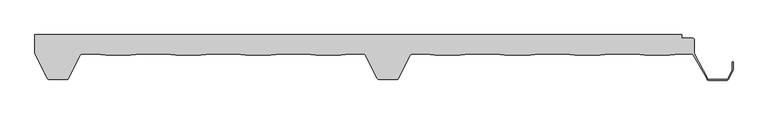
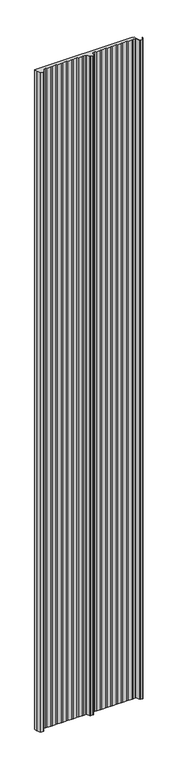
"""IFC4 building model written with IfcOpenShell, lengths in millimetres: proxy geometry."""

import ifcopenshell
import ifcopenshell.guid

model = None  # the IFC model being written
_history = None  # IfcOwnerHistory: only IFC2X3 demands one
_inside = {}  # id of a spatial element -> (the spatial element, [elements in it])
_under = {}  # id of a project, library or spatial element -> (it, [spatial elements below it])
_declared = {}  # id of a project -> (the project, [libraries it declares])
_typed = {}  # id of a type object -> (the type object, [elements of that type])
_made_of = {}  # id of a material, layer set ... -> (it, [elements and type objects made of it])


def new_model(schema):
    """Start an empty IFC model of exactly this schema.

    Asked for "IFC4X3", IfcOpenShell would pick the latest addendum, in which some entities
    have other attributes; the version numbers below select the first issue.
    IFC2X3 requires an IfcOwnerHistory on every rooted entity: one is made here for all.
    """
    global model, _history
    if schema == "IFC4X3":
        model = ifcopenshell.file(schema_version=(4, 3, 0, 0))
    else:
        model = ifcopenshell.file(schema=schema)
    _inside.clear()
    _under.clear()
    _declared.clear()
    _typed.clear()
    _made_of.clear()
    _history = None
    if model.schema == "IFC2X3":
        org = make("IfcOrganization", Name="unknown")
        user = make(
            "IfcPersonAndOrganization",
            ThePerson=make("IfcPerson", FamilyName="unknown"),
            TheOrganization=org,
        )
        app = make(
            "IfcApplication",
            ApplicationDeveloper=org,
            Version="unknown",
            ApplicationFullName="unknown",
            ApplicationIdentifier="unknown",
        )
        _history = make(
            "IfcOwnerHistory",
            OwningUser=user,
            OwningApplication=app,
            ChangeAction="ADDED",
            CreationDate=0,
        )
    return model


def make(cls, **values):
    """One entity of the class cls with the attributes given. An attribute that is None is left unset."""
    return model.create_entity(
        cls, **{name: value for name, value in values.items() if value is not None}
    )


def rooted(cls, **values):
    """An entity with a GlobalId (a new one), such as an element, a storey or a relation."""
    return make(cls, GlobalId=ifcopenshell.guid.new(), OwnerHistory=_history, **values)


def si_unit(unit_type, name, prefix=None):
    """IfcSIUnit, for example si_unit("LENGTHUNIT", "METRE", prefix="MILLI")."""
    return make("IfcSIUnit", UnitType=unit_type, Prefix=prefix, Name=name)


def assignment(units):
    """IfcUnitAssignment: the units of a project."""
    return None if units is None else make("IfcUnitAssignment", Units=units)


def point(xyz):
    """IfcCartesianPoint."""
    return None if xyz is None else make("IfcCartesianPoint", Coordinates=xyz)


def direction(xyz):
    """IfcDirection."""
    return None if xyz is None else make("IfcDirection", DirectionRatios=xyz)


def frame(location, z_axis=None, x_axis=None):
    """IfcAxis2Placement3D, a coordinate frame: its origin and axes. An axis left out is left unset."""
    return make(
        "IfcAxis2Placement3D",
        Location=point(location),
        Axis=direction(z_axis),
        RefDirection=direction(x_axis),
    )


def frame_2d(location, x_axis=None):
    """IfcAxis2Placement2D, a coordinate frame in the plane: its origin and x axis."""
    return make(
        "IfcAxis2Placement2D", Location=point(location), RefDirection=direction(x_axis)
    )


def origin():
    """The frame at (0, 0, 0) with its axes left unset."""
    return frame((0.0, 0.0, 0.0))


def origin_with_axes():
    """The frame at (0, 0, 0) with the z axis (0, 0, 1) and the x axis (1, 0, 0) written out."""
    return frame((0.0, 0.0, 0.0), z_axis=(0.0, 0.0, 1.0), x_axis=(1.0, 0.0, 0.0))


def place(relative_to, where):
    """IfcLocalPlacement: puts the frame where relative to a parent placement (None: the world)."""
    return make(
        "IfcLocalPlacement", PlacementRelTo=relative_to, RelativePlacement=where
    )


def context(
    kind, dimensions, precision=None, world=None, true_north=None, identifier=None
):
    """IfcGeometricRepresentationContext, for example the 3D "Model" context."""
    return make(
        "IfcGeometricRepresentationContext",
        ContextIdentifier=identifier,
        ContextType=kind,
        CoordinateSpaceDimension=dimensions,
        Precision=precision,
        WorldCoordinateSystem=world,
        TrueNorth=true_north,
    )


def project(units=None, contexts=None):
    """IfcProject with its units and contexts."""
    return rooted(
        "IfcProject",
        Name="project",
        RepresentationContexts=contexts,
        UnitsInContext=assignment(units),
    )


def spatial(cls, under=None, at=None, **own):
    """A site, building, storey or space (cls), placed at a placement, below another one or the project."""
    s = rooted(cls, ObjectPlacement=at, **own)
    if under is not None:
        _under.setdefault(under.id(), (under, []))[1].append(s)
    return s


def polyline(points):
    """IfcPolyline through the points."""
    return make("IfcPolyline", Points=[point(p) for p in points])


def circle_curve(where, radius):
    """IfcCircle in the frame where."""
    return make("IfcCircle", Position=where, Radius=radius)


def trimmed(basis, trim1, trim2, sense, master):
    """IfcTrimmedCurve: the piece of a basis curve between two trims."""
    return make(
        "IfcTrimmedCurve",
        BasisCurve=basis,
        Trim1=trim1,
        Trim2=trim2,
        SenseAgreement=sense,
        MasterRepresentation=master,
    )


def segment(curve, same_sense, transition):
    """IfcCompositeCurveSegment."""
    return make(
        "IfcCompositeCurveSegment",
        Transition=transition,
        SameSense=same_sense,
        ParentCurve=curve,
    )


def composite_curve(segments, self_intersect=None):
    """IfcCompositeCurve: segments joined end to end."""
    return make("IfcCompositeCurve", Segments=segments, SelfIntersect=self_intersect)


def outline(outer, holes=None, kind="AREA"):
    """IfcArbitraryClosedProfileDef: a profile drawn as a closed curve; with holes, ...WithVoids."""
    if holes is None:
        return make("IfcArbitraryClosedProfileDef", ProfileType=kind, OuterCurve=outer)
    return make(
        "IfcArbitraryProfileDefWithVoids",
        ProfileType=kind,
        OuterCurve=outer,
        InnerCurves=holes,
    )


def extrude(swept, where, along, depth):
    """IfcExtrudedAreaSolid: the profile swept, set in the frame where, extruded along a direction by depth."""
    return make(
        "IfcExtrudedAreaSolid",
        SweptArea=swept,
        Position=where,
        ExtrudedDirection=direction(along),
        Depth=depth,
    )


def shape(context_of_items, identifier, shape_type, items):
    """IfcShapeRepresentation: the items that make up one representation, for example the "Body"."""
    return make(
        "IfcShapeRepresentation",
        ContextOfItems=context_of_items,
        RepresentationIdentifier=identifier,
        RepresentationType=shape_type,
        Items=items,
    )


def source(mapping_origin, context_of_items, identifier, shape_type, items):
    """IfcRepresentationMap: a shape defined once, which mapped items show again and again."""
    return make(
        "IfcRepresentationMap",
        MappingOrigin=mapping_origin,
        MappedRepresentation=shape(context_of_items, identifier, shape_type, items),
    )


def transform(
    local_origin,
    x_axis=None,
    y_axis=None,
    z_axis=None,
    scale=None,
    scale2=None,
    scale3=None,
    uniform=True,
):
    """IfcCartesianTransformationOperator3D, or its non-uniform kind. x_axis, y_axis, z_axis: its Axis1, 2, 3."""
    if uniform:
        return make(
            "IfcCartesianTransformationOperator3D",
            Axis1=direction(x_axis),
            Axis2=direction(y_axis),
            LocalOrigin=point(local_origin),
            Scale=scale,
            Axis3=direction(z_axis),
        )
    return make(
        "IfcCartesianTransformationOperator3DnonUniform",
        Axis1=direction(x_axis),
        Axis2=direction(y_axis),
        LocalOrigin=point(local_origin),
        Scale=scale,
        Axis3=direction(z_axis),
        Scale2=scale2,
        Scale3=scale3,
    )


def mapped(mapping_source, mapping_target):
    """IfcMappedItem: shows the shape of a source again, moved by a transform."""
    return make(
        "IfcMappedItem", MappingSource=mapping_source, MappingTarget=mapping_target
    )


def made_of(thing, what):
    """Note that an element or type object is made of a material, layer set ...; save() writes the relation."""
    if what is not None:
        _made_of.setdefault(what.id(), (what, []))[1].append(thing)
    return thing


def element(
    cls,
    number,
    at=None,
    inside=None,
    cuts=None,
    type_object=None,
    material=None,
    context=None,
    identifier="Body",
    shape_type=None,
    held_by="IfcProductDefinitionShape",
    body=None,
    shapes=None,
    **own,
):
    """One element of the class cls, such as IfcWall. Its Tag is "e" and its number.

    at: its placement. inside: the storey or other place that contains it. cuts: it is an
    opening in that element (IfcRelVoidsElement). A single representation is given by context,
    identifier, shape_type and body (its items); several are given by shapes. held_by: the class
    of the entity that holds the representations. save() writes the other relations.
    """
    e = rooted(cls, Tag="e%d" % number, ObjectPlacement=at, **own)
    if body is not None:
        shapes = [shape(context, identifier, shape_type, body)]
    if shapes is not None:
        e.Representation = make(held_by, Representations=shapes)
    if inside is not None:
        _inside.setdefault(inside.id(), (inside, []))[1].append(e)
    if cuts is not None:
        rooted(
            "IfcRelVoidsElement", RelatingBuildingElement=cuts, RelatedOpeningElement=e
        )
    if type_object is not None:
        _typed.setdefault(type_object.id(), (type_object, []))[1].append(e)
    return made_of(e, material)


def aggregate(whole, parts):
    """IfcRelAggregates: a whole, such as a stair, and the parts it consists of."""
    return rooted("IfcRelAggregates", RelatingObject=whole, RelatedObjects=parts)


def save(model, path):
    """Write the relations noted so far, then the file.

    IfcRelAggregates (storeys below a building ...), IfcRelContainedInSpatialStructure (elements
    in a storey), IfcRelDefinesByType, IfcRelAssociatesMaterial and IfcRelDeclares: one each for
    every whole, place, type object, material and project.
    """
    for whole, parts in _under.values():
        aggregate(whole, parts)
    for where, things in _inside.values():
        rooted(
            "IfcRelContainedInSpatialStructure",
            RelatedElements=things,
            RelatingStructure=where,
        )
    for kind, things in _typed.values():
        rooted("IfcRelDefinesByType", RelatedObjects=things, RelatingType=kind)
    for what, things in _made_of.values():
        rooted("IfcRelAssociatesMaterial", RelatedObjects=things, RelatingMaterial=what)
    for by, libraries in _declared.values():
        rooted("IfcRelDeclares", RelatingContext=by, RelatedDefinitions=libraries)
    model.write(path)


def generic_models_a5152913(model_context):
    return source(origin(), model_context, "Body", "SweptSolid", [
        extrude(outline(composite_curve([segment(polyline([(-34.7672279, 0.4243568), (-34.7672279, 29.1020544), (945.306253, 29.1020544), (945.306253, 24.1020544), (961.2351211, 24.1020544)]), True, "CONTINUOUS"), segment(trimmed(circle_curve(frame_2d((961.2351211, 21.1020544)), 3.0), [point((961.2351211, 24.1020544))], [point((964.2351211, 21.1020544))], False, "CARTESIAN"), True, "CONTINUOUS"), segment(polyline([(964.2351211, 21.1020544), (964.2351211, 0.7965502), (984.5660869, -37.8919418)]), True, "CONTINUOUS"), segment(trimmed(circle_curve(frame_2d((986.3557773, -36.9991886)), 2.0), [point((984.5660869, -37.8919418))], [point((986.3557773, -38.9991886))], True, "CARTESIAN"), True, "CONTINUOUS"), segment(polyline([(986.3557773, -38.9991886), (1013.6874272, -38.9991886)]), True, "CONTINUOUS"), segment(trimmed(circle_curve(frame_2d((1013.6874272, -36.9991886)), 2.0), [point((1013.6874272, -38.9991886))], [point((1015.4767281, -37.8927222))], True, "CARTESIAN"), True, "CONTINUOUS"), segment(polyline([(1015.4767281, -37.8927222), (1022.005913, -24.8180295)]), True, "CONTINUOUS"), segment(trimmed(circle_curve(frame_2d((1020.2166121, -23.9244959)), 2.0), [point((1022.005913, -24.8180295))], [point((1022.2166121, -23.9244959))], True, "CARTESIAN"), True, "CONTINUOUS"), segment(polyline([(1022.2166121, -23.9244959), (1022.2166121, -12.4550557), (1023.2166121, -12.4550557), (1023.2166121, -23.9244959)]), True, "CONTINUOUS"), segment(trimmed(circle_curve(frame_2d((1020.2166121, -23.9244959)), 3.0), [point((1023.2166121, -23.9244959))], [point((1022.9005634, -25.2647963))], False, "CARTESIAN"), True, "CONTINUOUS"), segment(polyline([(1022.9005634, -25.2647963), (1016.3713786, -38.3394889)]), True, "CONTINUOUS"), segment(trimmed(circle_curve(frame_2d((1013.6874272, -36.9991886)), 3.0), [point((1016.3713786, -38.3394889))], [point((1013.6874272, -39.9991886))], False, "CARTESIAN"), True, "CONTINUOUS"), segment(polyline([(1013.6874272, -39.9991886), (986.3384217, -39.9991886)]), True, "CONTINUOUS"), segment(trimmed(circle_curve(frame_2d((986.3384217, -36.9991886)), 3.0), [point((986.3384217, -39.9991886))], [point((983.7108944, -38.44698))], False, "CARTESIAN"), True, "CONTINUOUS"), segment(polyline([(983.7108944, -38.44698), (962.8075869, -1.5506091)]), True, "CONTINUOUS"), segment(trimmed(circle_curve(frame_2d((960.1809415, -3.0)), 3.0), [point((962.8075869, -1.5506091))], [point((960.1809415, 0.0))], True, "CARTESIAN"), True, "CONTINUOUS"), segment(polyline([(960.1809415, 0.0), (942.4369507, 0.0), (927.573234, -1.7979456), (889.4539348, -1.7979456), (874.5902181, 0.0), (836.4369507, 0.0), (821.573234, -1.7979456), (783.4539348, -1.7979456), (768.5902181, 0.0), (730.4369507, 0.0), (715.573234, -1.7979456), (677.4539348, -1.7979456), (662.5902181, 0.0), (624.4369507, 0.0), (609.573234, -1.7979456), (571.4539348, -1.7979456), (556.5902181, 0.0), (536.4373213, 0.0)]), True, "CONTINUOUS"), segment(trimmed(circle_curve(frame_2d((536.856405, -2.9878462)), 3.017094), [point((536.4373213, 0.0))], [point((534.1528136, -1.6486489))], True, "CARTESIAN"), True, "CONTINUOUS"), segment(polyline([(534.1528136, -1.6486489), (515.8288959, -37.3482459)]), True, "CONTINUOUS"), segment(trimmed(circle_curve(frame_2d((513.1449445, -36.0079456)), 3.0), [point((515.8288959, -37.3482459))], [point((513.1449445, -39.0079456))], False, "CARTESIAN"), True, "CONTINUOUS"), segment(polyline([(513.1449445, -39.0079456), (486.8552196, -39.0079456)]), True, "CONTINUOUS"), segment(trimmed(circle_curve(frame_2d((486.8552196, -36.0079456)), 3.0), [point((486.8552196, -39.0079456))], [point((484.1712683, -37.3482459))], False, "CARTESIAN"), True, "CONTINUOUS"), segment(polyline([(484.1712683, -37.3482459), (465.8289057, -1.6576649)]), True, "CONTINUOUS"), segment(trimmed(circle_curve(frame_2d((463.1449543, -2.9979652)), 3.0), [point((465.8289057, -1.6576649))], [point((463.1449543, 0.0020348))], True, "CARTESIAN"), True, "CONTINUOUS"), segment(polyline([(463.1449543, 0.0020348), (443.4267677, 0.0020348), (428.5462294, -1.7979456), (390.4269301, -1.7979456), (375.5632135, 0.0), (337.409946, 0.0), (322.5462294, -1.7979456), (284.4269301, -1.7979456), (269.5632135, 0.0), (231.409946, 0.0), (216.5462294, -1.7979456), (178.4269301, -1.7979456), (163.5632135, 0.0), (125.409946, 0.0), (110.5462294, -1.7979456), (72.4269301, -1.7979456), (57.5632135, 0.0), (36.4387999, 0.0)]), True, "CONTINUOUS"), segment(trimmed(circle_curve(frame_2d((36.4387999, -3.0)), 3.0), [point((36.4387999, 0.0))], [point((33.7548485, -1.6596997))], True, "CARTESIAN"), True, "CONTINUOUS"), segment(polyline([(33.7548485, -1.6596997), (15.8659904, -37.2736842)]), True, "CONTINUOUS"), segment(trimmed(circle_curve(frame_2d((13.1699133, -35.9579456)), 3.0), [point((15.8659904, -37.2736842))], [point((13.1699133, -38.9579456))], False, "CARTESIAN"), True, "CONTINUOUS"), segment(polyline([(13.1699133, -38.9579456), (-13.1662252, -38.9579456)]), True, "CONTINUOUS"), segment(trimmed(circle_curve(frame_2d((-13.1662252, -35.9579456)), 3.0), [point((-13.1662252, -38.9579456))], [point((-15.8623023, -37.2736842))], False, "CARTESIAN"), True, "CONTINUOUS"), segment(polyline([(-15.8623023, -37.2736842), (-34.7672279, 0.4243568)]), True, "CONTINUOUS")], self_intersect=False)), origin_with_axes(), (0.0, 0.0, 1.0), 7000.0),
    ])


if __name__ == "__main__":
    model = new_model("IFC4")
    model_context = context("Model", 3, world=origin())
    ifc_project = project(units=[si_unit("LENGTHUNIT", "METRE", prefix="MILLI")], contexts=[model_context])
    site = spatial("IfcSite", under=ifc_project)
    building = spatial("IfcBuilding", under=site)
    placement = place(None, origin())
    generic_models_shape = generic_models_a5152913(model_context)
    element("IfcBuildingElementProxy", 1, Name="Generic Models", at=placement, inside=building, context=model_context, shape_type="MappedRepresentation", body=[
        mapped(generic_models_shape, transform((0.0, 0.0, 0.0), x_axis=(1.0, 0.0, 0.0), y_axis=(0.0, 1.0, 0.0), z_axis=(0.0, 0.0, 1.0))),
    ])
    save(model, "model.ifc")
